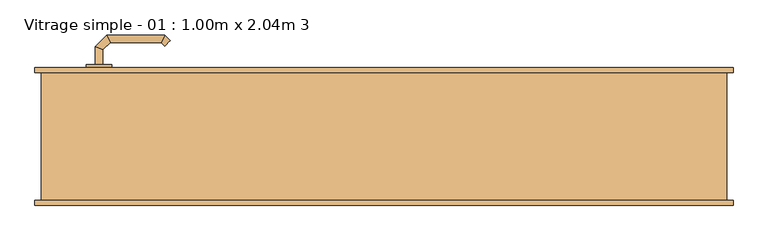
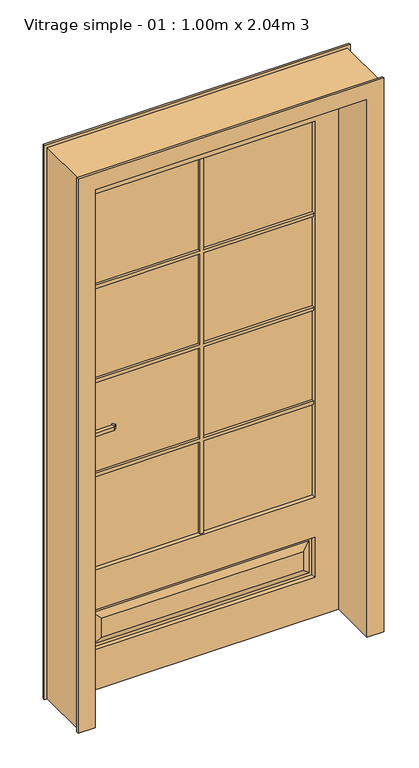
"""IFC4 building model written with IfcOpenShell, lengths in millimetres: door geometry, Vitrage simple - 01 : 1.00m x 2.04m 3."""

from ifc_helpers import new_model, si_unit, point, frame, frame_2d, origin, place, context, project, spatial, polyline, circle_curve, ellipse_curve, trimmed, segment, composite_curve, outline, extrude, faceted_brep, source, transform, mapped, element, save
from ifc_brep_helpers import plane_surface, cylinder_surface, advanced_brep


def vitrage_simple_01_1_00m_x_2_04m_3_28ec0aa8(model_context):
    return source(origin(), model_context, "Body", "SolidModel", [
        advanced_brep(
        [(-439.0, 63.0, 993.0), (-451.0, 63.0, 993.0), (-451.0, 63.0, 1007.0), (-439.0, 63.0, 1007.0), (-439.0, 40.5147955, 1007.0), (-439.0, 40.5147955, 993.0), (-451.0, 35.5442327, 1007.0), (-451.0, 35.5442327, 993.0), (-427.5147186, 29.0295141, 1007.0), (-427.5147186, 29.0295141, 993.0), (-432.4852814, 17.0295141, 1007.0), (-432.4852814, 17.0295141, 993.0), (-347.4394977, 29.0295141, 1007.0), (-347.4394977, 29.0295141, 993.0), (-342.468935, 17.0295141, 1007.0), (-342.468935, 17.0295141, 993.0), (-342.1257892, 34.3432226, 993.0), (-342.1257892, 34.3432226, 1007.0), (-333.6405078, 25.8579412, 1007.0), (-333.6405078, 25.8579412, 993.0)],
        [
            (0, 1, circle_curve(frame((-445.0, 63.0, 1013.0457722), z_axis=(0.0, 1.0, 0.0), x_axis=(-1.0, 0.0, 0.0)), 20.9244589)),
            (1, 2),
            (2, 3, circle_curve(frame((-445.0, 63.0, 986.9542278), z_axis=(0.0, 1.0, 0.0), x_axis=(-1.0, 0.0, 0.0)), 20.9244589)),
            (3, 0),
            (3, 4),
            (4, 5),
            (5, 0),
            (2, 6),
            (6, 4, ellipse_curve(frame((-445.0, 38.0295141, 986.9542278), z_axis=(-0.38268343236510893, 0.9238795325112789, 0.0), x_axis=(0.9238795325112789, 0.3826834323651087, 0.0)), 22.6484711, 20.9244589)),
            (1, 7),
            (7, 6),
            (5, 7, ellipse_curve(frame((-445.0, 38.0295141, 1013.0457722), z_axis=(-0.38268343236510893, 0.9238795325112789, 0.0), x_axis=(0.9238795325112789, 0.3826834323651087, 0.0)), 22.6484711, 20.9244589)),
            (4, 8),
            (8, 9),
            (9, 5),
            (6, 10),
            (10, 8, ellipse_curve(frame((-430.0, 23.0295141, 986.9542278), z_axis=(-0.9238795325112946, 0.38268343236507063, 0.0), x_axis=(0.3826834323650701, 0.9238795325112948, 0.0)), 22.6484711, 20.9244589)),
            (7, 11),
            (11, 10),
            (9, 11, ellipse_curve(frame((-430.0, 23.0295141, 1013.0457722), z_axis=(-0.9238795325112946, 0.38268343236507063, 0.0), x_axis=(0.3826834323650701, 0.9238795325112948, 0.0)), 22.6484711, 20.9244589)),
            (8, 12),
            (12, 13),
            (13, 9),
            (10, 14),
            (14, 12, ellipse_curve(frame((-344.9542163, 23.0295141, 986.9542278), z_axis=(-0.9238795325113071, -0.38268343236504027, 0.0), x_axis=(-0.38268343236504115, 0.9238795325113068, 0.0)), 22.6484711, 20.9244589)),
            (11, 15),
            (15, 14),
            (13, 15, ellipse_curve(frame((-344.9542163, 23.0295141, 1013.0457722), z_axis=(-0.9238795325113071, -0.38268343236504027, 0.0), x_axis=(-0.38268343236504115, 0.9238795325113068, 0.0)), 22.6484711, 20.9244589)),
            (16, 17),
            (17, 18, circle_curve(frame((-337.8831485, 30.1005819, 986.9542278), z_axis=(0.7071067811866232, 0.7071067811864719, 0.0), x_axis=(0.7071067811864719, -0.7071067811866232, 0.0)), 20.9244589)),
            (18, 19),
            (19, 16, circle_curve(frame((-337.8831485, 30.1005819, 1013.0457722), z_axis=(0.7071067811866232, 0.7071067811864719, 0.0), x_axis=(0.7071067811864719, -0.7071067811866232, 0.0)), 20.9244589)),
            (12, 17),
            (16, 13),
            (14, 18),
            (15, 19),
        ],
        [
            plane_surface(frame((-454.2195445, 63.0, 1000.0), z_axis=(0.0, 1.0, 0.0), x_axis=(0.0, 0.0, 1.0))),
            plane_surface(frame((-439.0, 63.0, 993.0), z_axis=(1.0, 0.0, 0.0), x_axis=(0.0, -1.0, 0.0))),
            cylinder_surface(frame((-445.0, 63.0, 986.9542278), z_axis=(0.0, 1.0, 0.0), x_axis=(-1.0, 0.0, 0.0)), 20.9244589),
            plane_surface(frame((-451.0, 63.0, 1007.0), z_axis=(-1.0, 0.0, 0.0), x_axis=(0.0, -1.0, 0.0))),
            cylinder_surface(frame((-445.0, 63.0, 1013.0457722), z_axis=(0.0, 1.0, 0.0), x_axis=(-1.0, 0.0, 0.0)), 20.9244589),
            plane_surface(frame((-439.0, 40.5147955, 993.0), z_axis=(0.7071067811865182, 0.707106781186577, 0.0), x_axis=(0.707106781186577, -0.7071067811865182, 0.0))),
            cylinder_surface(frame((-445.0, 38.0295141, 986.9542278), z_axis=(-0.7071067811865768, 0.7071067811865183, 0.0), x_axis=(-0.7071067811865183, -0.7071067811865768, 0.0)), 20.9244589),
            plane_surface(frame((-451.0, 35.5442327, 1007.0), z_axis=(-0.7071067811865184, -0.7071067811865767, 0.0), x_axis=(0.7071067811865767, -0.7071067811865184, 0.0))),
            cylinder_surface(frame((-445.0, 38.0295141, 1013.0457722), z_axis=(-0.7071067811865768, 0.7071067811865183, 0.0), x_axis=(-0.7071067811865183, -0.7071067811865768, 0.0)), 20.9244589),
            plane_surface(frame((-427.5147186, 29.0295141, 993.0), z_axis=(0.0, 1.0, 0.0), x_axis=(1.0, 0.0, 0.0))),
            cylinder_surface(frame((-430.0, 23.0295141, 986.9542278), z_axis=(-1.0, 0.0, 0.0), x_axis=(0.0, -1.0, 0.0)), 20.9244589),
            plane_surface(frame((-432.4852814, 17.0295141, 1007.0), z_axis=(0.0, -1.0, 0.0), x_axis=(1.0, 0.0, 0.0))),
            cylinder_surface(frame((-430.0, 23.0295141, 1013.0457722), z_axis=(-1.0, 0.0, 0.0), x_axis=(0.0, -1.0, 0.0)), 20.9244589),
            plane_surface(frame((-337.8831485, 30.1005819, 990.7804555), z_axis=(0.7071067811866233, 0.7071067811864719, 0.0), x_axis=(0.7071067811864719, -0.7071067811866233, 0.0))),
            plane_surface(frame((-347.4394977, 29.0295141, 993.0), z_axis=(-0.7071067811864713, 0.7071067811866238, 0.0), x_axis=(0.7071067811866238, 0.7071067811864713, 0.0))),
            cylinder_surface(frame((-344.9542163, 23.0295141, 986.9542278), z_axis=(-0.7071067811866232, -0.7071067811864719, 0.0), x_axis=(0.7071067811864719, -0.7071067811866232, 0.0)), 20.9244589),
            plane_surface(frame((-342.468935, 17.0295141, 1007.0), z_axis=(0.7071067811864721, -0.707106781186623, 0.0), x_axis=(0.707106781186623, 0.7071067811864721, 0.0))),
            cylinder_surface(frame((-344.9542163, 23.0295141, 1013.0457722), z_axis=(-0.7071067811866232, -0.7071067811864719, 0.0), x_axis=(0.7071067811864719, -0.7071067811866232, 0.0)), 20.9244589),
        ],
        [
            (0, [[1, 2, 3, 4]]),
            (1, [[5, 6, 7, -4]]),
            (2, [[8, 9, -5, -3]]),
            (3, [[10, 11, -8, -2]]),
            (4, [[-7, 12, -10, -1]]),
            (5, [[13, 14, 15, -6]]),
            (6, [[16, 17, -13, -9]]),
            (7, [[18, 19, -16, -11]]),
            (8, [[-15, 20, -18, -12]]),
            (9, [[21, 22, 23, -14]]),
            (10, [[24, 25, -21, -17]]),
            (11, [[26, 27, -24, -19]]),
            (12, [[-23, 28, -26, -20]]),
            (13, [[29, 30, 31, 32]]),
            (14, [[33, -29, 34, -22]]),
            (15, [[35, -30, -33, -25]]),
            (16, [[36, -31, -35, -27]]),
            (17, [[-34, -32, -36, -28]]),
        ],
    ),
        advanced_brep(
        [(-451.0, 113.0, 1007.0), (-451.0, 113.0, 993.0), (-439.0, 113.0, 993.0), (-439.0, 113.0, 1007.0), (-439.0, 135.680388, 1007.0), (-451.0, 140.6509507, 1007.0), (-439.0, 135.680388, 993.0), (-451.0, 140.6509507, 993.0), (-427.6522273, 147.0281607, 1007.0), (-432.62279, 159.0281607, 1007.0), (-427.6522273, 147.0281607, 993.0), (-432.62279, 159.0281607, 993.0), (-347.4666408, 147.0281607, 1007.0), (-342.496078, 159.0281607, 1007.0), (-347.4666408, 147.0281607, 993.0), (-342.496078, 159.0281607, 993.0), (-333.6676509, 150.1997336, 1007.0), (-342.1529323, 141.7144522, 1007.0), (-342.1529323, 141.7144522, 993.0), (-333.6676509, 150.1997336, 993.0)],
        [
            (0, 1),
            (1, 2, circle_curve(frame((-445.0, 113.0, 1013.0457722), z_axis=(0.0, -1.0, 0.0), x_axis=(1.0, 0.0, 0.0)), 20.9244589)),
            (2, 3),
            (3, 0, circle_curve(frame((-445.0, 113.0, 986.9542278), z_axis=(0.0, -1.0, 0.0), x_axis=(1.0, 0.0, 0.0)), 20.9244589)),
            (3, 4),
            (4, 5, ellipse_curve(frame((-445.0, 138.1656693, 986.9542278), z_axis=(-0.3826834323651093, -0.9238795325112789, 0.0), x_axis=(0.9238795325112791, -0.38268343236510843, 0.0)), 22.6484711, 20.9244589)),
            (5, 0),
            (2, 6),
            (6, 4),
            (1, 7),
            (7, 6, ellipse_curve(frame((-445.0, 138.1656693, 1013.0457722), z_axis=(-0.3826834323651093, -0.9238795325112789, 0.0), x_axis=(0.9238795325112791, -0.38268343236510843, 0.0)), 22.6484711, 20.9244589)),
            (5, 7),
            (4, 8),
            (8, 9, ellipse_curve(frame((-430.1375086, 153.0281607, 986.9542278), z_axis=(-0.9238795325112947, -0.38268343236507024, 0.0), x_axis=(0.3826834323650698, -0.9238795325112951, 0.0)), 22.6484711, 20.9244589)),
            (9, 5),
            (6, 10),
            (10, 8),
            (7, 11),
            (11, 10, ellipse_curve(frame((-430.1375086, 153.0281607, 1013.0457722), z_axis=(-0.9238795325112947, -0.38268343236507024, 0.0), x_axis=(0.3826834323650698, -0.9238795325112951, 0.0)), 22.6484711, 20.9244589)),
            (9, 11),
            (8, 12),
            (12, 13, ellipse_curve(frame((-344.9813594, 153.0281607, 986.9542278), z_axis=(-0.9238795325112743, 0.3826834323651198, 0.0), x_axis=(-0.38268343236511987, -0.9238795325112744, 0.0)), 22.6484711, 20.9244589)),
            (13, 9),
            (10, 14),
            (14, 12),
            (11, 15),
            (15, 14, ellipse_curve(frame((-344.9813594, 153.0281607, 1013.0457722), z_axis=(-0.9238795325112743, 0.3826834323651198, 0.0), x_axis=(-0.38268343236511987, -0.9238795325112744, 0.0)), 22.6484711, 20.9244589)),
            (13, 15),
            (16, 17, circle_curve(frame((-337.9102916, 145.9570929, 986.9542278), z_axis=(0.7071067811865017, -0.7071067811865933, 0.0), x_axis=(-0.7071067811865933, -0.7071067811865017, 0.0)), 20.9244589)),
            (17, 18),
            (18, 19, circle_curve(frame((-337.9102916, 145.9570929, 1013.0457722), z_axis=(0.7071067811865017, -0.7071067811865933, 0.0), x_axis=(-0.7071067811865933, -0.7071067811865017, 0.0)), 20.9244589)),
            (19, 16),
            (12, 17),
            (16, 13),
            (14, 18),
            (15, 19),
        ],
        [
            plane_surface(frame((-454.2195445, 113.0, 1000.0), z_axis=(0.0, -1.0, 0.0), x_axis=(0.0, 0.0, -1.0))),
            cylinder_surface(frame((-445.0, 113.0, 986.9542278), z_axis=(0.0, -1.0, 0.0), x_axis=(1.0, 0.0, 0.0)), 20.9244589),
            plane_surface(frame((-439.0, 113.0, 1007.0), z_axis=(1.0, 0.0, 0.0), x_axis=(0.0, 1.0, 0.0))),
            cylinder_surface(frame((-445.0, 113.0, 1013.0457722), z_axis=(0.0, -1.0, 0.0), x_axis=(1.0, 0.0, 0.0)), 20.9244589),
            plane_surface(frame((-451.0, 113.0, 993.0), z_axis=(-1.0, 0.0, 0.0), x_axis=(0.0, 1.0, 0.0))),
            cylinder_surface(frame((-445.0, 138.1656693, 986.9542278), z_axis=(-0.7071067811865772, -0.7071067811865177, 0.0), x_axis=(0.7071067811865177, -0.7071067811865772, 0.0)), 20.9244589),
            plane_surface(frame((-439.0, 135.680388, 1007.0), z_axis=(0.707106781186518, -0.7071067811865771, 0.0), x_axis=(0.7071067811865771, 0.707106781186518, 0.0))),
            cylinder_surface(frame((-445.0, 138.1656693, 1013.0457722), z_axis=(-0.7071067811865772, -0.7071067811865177, 0.0), x_axis=(0.7071067811865177, -0.7071067811865772, 0.0)), 20.9244589),
            plane_surface(frame((-451.0, 140.6509507, 993.0), z_axis=(-0.7071067811865179, 0.7071067811865772, 0.0), x_axis=(0.7071067811865772, 0.7071067811865179, 0.0))),
            cylinder_surface(frame((-430.1375086, 153.0281607, 986.9542278), z_axis=(-1.0, 0.0, 0.0), x_axis=(0.0, -1.0, 0.0)), 20.9244589),
            plane_surface(frame((-427.6522273, 147.0281607, 1007.0), z_axis=(0.0, -1.0, 0.0), x_axis=(1.0, 0.0, 0.0))),
            cylinder_surface(frame((-430.1375086, 153.0281607, 1013.0457722), z_axis=(-1.0, 0.0, 0.0), x_axis=(0.0, -1.0, 0.0)), 20.9244589),
            plane_surface(frame((-432.62279, 159.0281607, 993.0), z_axis=(0.0, 1.0, 0.0), x_axis=(1.0, 0.0, 0.0))),
            plane_surface(frame((-337.9102916, 145.9570929, 1009.2195445), z_axis=(0.7071067811865019, -0.7071067811865932, 0.0), x_axis=(0.7071067811865932, 0.7071067811865019, 0.0))),
            cylinder_surface(frame((-344.9813594, 153.0281607, 986.9542278), z_axis=(-0.7071067811865017, 0.7071067811865933, 0.0), x_axis=(-0.7071067811865933, -0.7071067811865017, 0.0)), 20.9244589),
            plane_surface(frame((-347.4666408, 147.0281607, 1007.0), z_axis=(-0.7071067811865925, -0.7071067811865025, 0.0), x_axis=(0.7071067811865025, -0.7071067811865925, 0.0))),
            cylinder_surface(frame((-344.9813594, 153.0281607, 1013.0457722), z_axis=(-0.7071067811865017, 0.7071067811865933, 0.0), x_axis=(-0.7071067811865933, -0.7071067811865017, 0.0)), 20.9244589),
            plane_surface(frame((-342.496078, 159.0281607, 993.0), z_axis=(0.7071067811865936, 0.7071067811865015, 0.0), x_axis=(0.7071067811865015, -0.7071067811865936, 0.0))),
        ],
        [
            (0, [[1, 2, 3, 4]]),
            (1, [[5, 6, 7, -4]]),
            (2, [[8, 9, -5, -3]]),
            (3, [[10, 11, -8, -2]]),
            (4, [[-7, 12, -10, -1]]),
            (5, [[13, 14, 15, -6]]),
            (6, [[16, 17, -13, -9]]),
            (7, [[18, 19, -16, -11]]),
            (8, [[-15, 20, -18, -12]]),
            (9, [[21, 22, 23, -14]]),
            (10, [[24, 25, -21, -17]]),
            (11, [[26, 27, -24, -19]]),
            (12, [[-23, 28, -26, -20]]),
            (13, [[29, 30, 31, 32]]),
            (14, [[33, -29, 34, -22]]),
            (15, [[35, -30, -33, -25]]),
            (16, [[36, -31, -35, -27]]),
            (17, [[-34, -32, -36, -28]]),
        ],
    ),
        extrude(outline(composite_curve([segment(trimmed(circle_curve(frame_2d((1045.3589838, -445.0)), 40.0), [point((1080.0, -425.0))], [point((1080.0, -465.0))], False, "CARTESIAN"), True, "CONTINUOUS"), segment(polyline([(1080.0, -465.0), (870.0, -465.0)]), True, "CONTINUOUS"), segment(trimmed(circle_curve(frame_2d((904.6410162, -445.0)), 40.0), [point((870.0, -465.0))], [point((870.0, -425.0))], False, "CARTESIAN"), True, "CONTINUOUS"), segment(polyline([(870.0, -425.0), (1080.0, -425.0)]), True, "CONTINUOUS")], self_intersect=False)), frame((0.0, 63.0, 0.0), z_axis=(0.0, 1.0, 0.0), x_axis=(0.0, 0.0, 1.0)), (0.0, 0.0, 1.0), 5.0),
        extrude(outline(composite_curve([segment(trimmed(circle_curve(frame_2d((904.6410162, -445.0)), 40.0), [point((870.0, -465.0))], [point((870.0, -425.0))], False, "CARTESIAN"), True, "CONTINUOUS"), segment(polyline([(870.0, -425.0), (1080.0, -425.0)]), True, "CONTINUOUS"), segment(trimmed(circle_curve(frame_2d((1045.3589838, -445.0)), 40.0), [point((1080.0, -425.0))], [point((1080.0, -465.0))], False, "CARTESIAN"), True, "CONTINUOUS"), segment(polyline([(1080.0, -465.0), (870.0, -465.0)]), True, "CONTINUOUS")], self_intersect=False)), frame((0.0, 108.0, 0.0), z_axis=(0.0, 1.0, 0.0), x_axis=(0.0, 0.0, 1.0)), (0.0, 0.0, 1.0), 5.0),
        faceted_brep([(-535.0, 100.0, 0.0), (-545.0, 100.0, 0.0), (-545.0, 108.0, 0.0), (-500.0, 108.0, 0.0), (-500.0, 68.0, 0.0), (-485.0, 68.0, 0.0), (-485.0, -108.0, 0.0), (-545.0, -108.0, 0.0), (-545.0, -100.0, 0.0), (-535.0, -100.0, 0.0), (-535.0, -100.0, 2075.0), (-535.0, 100.0, 2075.0), (-545.0, -100.0, 2085.0), (545.0, -100.0, 2085.0), (545.0, -100.0, 0.0), (535.0, -100.0, 0.0), (535.0, -100.0, 2075.0), (-545.0, -108.0, 2085.0), (-485.0, -108.0, 2025.0), (485.0, -108.0, 2025.0), (485.0, -108.0, 0.0), (545.0, -108.0, 0.0), (545.0, -108.0, 2085.0), (-485.0, 68.0, 2025.0), (-500.0, 68.0, 2040.0), (500.0, 68.0, 2040.0), (500.0, 68.0, 0.0), (485.0, 68.0, 0.0), (485.0, 68.0, 2025.0), (-500.0, 108.0, 2040.0), (-545.0, 108.0, 2085.0), (545.0, 108.0, 2085.0), (545.0, 108.0, 0.0), (500.0, 108.0, 0.0), (500.0, 108.0, 2040.0), (-545.0, 100.0, 2085.0), (535.0, 100.0, 2075.0), (535.0, 100.0, 0.0), (545.0, 100.0, 0.0), (545.0, 100.0, 2085.0)], [[[0, 1, 2, 3, 4, 5, 6, 7, 8, 9]], [[9, 10, 11, 0]], [[8, 12, 13, 14, 15, 16, 10, 9]], [[7, 17, 12, 8]], [[6, 18, 19, 20, 21, 22, 17, 7]], [[5, 23, 18, 6]], [[4, 24, 25, 26, 27, 28, 23, 5]], [[3, 29, 24, 4]], [[2, 30, 31, 32, 33, 34, 29, 3]], [[1, 35, 30, 2]], [[0, 11, 36, 37, 38, 39, 35, 1]], [[15, 37, 36, 16]], [[14, 21, 20, 27, 26, 33, 32, 38, 37, 15]], [[13, 22, 21, 14]], [[19, 28, 27, 20]], [[25, 34, 33, 26]], [[31, 39, 38, 32]], [[10, 16, 36, 11]], [[12, 17, 22, 13]], [[18, 23, 28, 19]], [[24, 29, 34, 25]], [[30, 35, 39, 31]]]),
        extrude(outline(polyline([(400.0, 93.0), (400.0, 83.0), (-400.0, 83.0), (-400.0, 93.0), (400.0, 93.0)])), frame((0.0, 0.0, 450.0), z_axis=(0.0, 0.0, 1.0), x_axis=(1.0, 0.0, 0.0)), (0.0, 0.0, 1.0), 1415.0),
        faceted_brep([(-500.0, 108.0, 2040.0), (500.0, 108.0, 2040.0), (500.0, 108.0, 0.0), (-500.0, 108.0, 0.0), (400.0, 108.0, 1865.0), (-400.0, 108.0, 1865.0), (-400.0, 108.0, 450.0), (400.0, 108.0, 450.0), (400.0, 108.0, 300.0), (-400.0, 108.0, 300.0), (-400.0, 108.0, 150.0), (400.0, 108.0, 150.0), (360.0, 108.0, 190.0), (-360.0, 108.0, 190.0), (-360.0, 108.0, 260.0), (360.0, 108.0, 260.0), (-500.0, 68.0, 2040.0), (-500.0, 68.0, 0.0), (500.0, 68.0, 0.0), (500.0, 68.0, 2040.0), (400.0, 68.0, 1865.0), (400.0, 68.0, 450.0), (-400.0, 68.0, 450.0), (-400.0, 68.0, 1865.0), (-400.0, 68.0, 300.0), (400.0, 68.0, 300.0), (400.0, 68.0, 150.0), (-400.0, 68.0, 150.0), (-360.0, 68.0, 190.0), (360.0, 68.0, 190.0), (360.0, 68.0, 260.0), (-360.0, 68.0, 260.0), (385.0, 98.0, 285.0), (385.0, 98.0, 165.0), (395.0, 98.0, 295.0), (395.0, 98.0, 155.0), (-385.0, 98.0, 165.0), (-395.0, 98.0, 155.0), (-385.0, 98.0, 285.0), (-395.0, 98.0, 295.0), (-385.0, 78.0, 285.0), (-385.0, 78.0, 165.0), (-395.0, 78.0, 295.0), (-395.0, 78.0, 155.0), (385.0, 78.0, 165.0), (395.0, 78.0, 155.0), (385.0, 78.0, 285.0), (395.0, 78.0, 295.0)], [[[0, 1, 2, 3], [4, 5, 6, 7], [8, 9, 10, 11]], [[12, 13, 14, 15]], [[16, 17, 18, 19], [20, 21, 22, 23], [24, 25, 26, 27]], [[28, 29, 30, 31]], [[3, 17, 16, 0]], [[2, 18, 17, 3]], [[1, 19, 18, 2]], [[0, 16, 19, 1]], [[7, 21, 20, 4]], [[6, 22, 21, 7]], [[5, 23, 22, 6]], [[4, 20, 23, 5]], [[12, 15, 32, 33]], [[34, 8, 11, 35]], [[33, 36, 13, 12]], [[11, 10, 37, 35]], [[36, 38, 14, 13]], [[10, 9, 39, 37]], [[35, 37, 39, 34], [32, 38, 36, 33]], [[15, 14, 38, 32]], [[34, 39, 9, 8]], [[28, 31, 40, 41]], [[42, 24, 27, 43]], [[41, 44, 29, 28]], [[27, 26, 45, 43]], [[44, 46, 30, 29]], [[26, 25, 47, 45]], [[43, 45, 47, 42], [40, 46, 44, 41]], [[31, 30, 46, 40]], [[42, 47, 25, 24]]]),
        extrude(outline(polyline([(450.0, 6.0), (797.75, 6.0), (797.75, 400.0), (809.75, 400.0), (809.75, 6.0), (1151.5, 6.0), (1151.5, 400.0), (1163.5, 400.0), (1163.5, 6.0), (1505.25, 6.0), (1505.25, 400.0), (1517.25, 400.0), (1517.25, 6.0), (1865.0, 6.0), (1865.0, -6.0), (1517.25, -6.0), (1517.25, -400.0), (1505.25, -400.0), (1505.25, -6.0), (1163.5, -6.0), (1163.5, -400.0), (1151.5, -400.0), (1151.5, -6.0), (809.75, -6.0), (809.75, -400.0), (797.75, -400.0), (797.75, -6.0), (450.0, -6.0), (450.0, 6.0)])), frame((0.0, 93.0, 0.0), z_axis=(0.0, 1.0, 0.0), x_axis=(0.0, 0.0, 1.0)), (0.0, 0.0, 1.0), 10.0),
        extrude(outline(polyline([(450.0, 6.0), (797.75, 6.0), (797.75, 400.0), (809.75, 400.0), (809.75, 6.0), (1151.5, 6.0), (1151.5, 400.0), (1163.5, 400.0), (1163.5, 6.0), (1505.25, 6.0), (1505.25, 400.0), (1517.25, 400.0), (1517.25, 6.0), (1865.0, 6.0), (1865.0, -6.0), (1517.25, -6.0), (1517.25, -400.0), (1505.25, -400.0), (1505.25, -6.0), (1163.5, -6.0), (1163.5, -400.0), (1151.5, -400.0), (1151.5, -6.0), (809.75, -6.0), (809.75, -400.0), (797.75, -400.0), (797.75, -6.0), (450.0, -6.0), (450.0, 6.0)])), frame((0.0, 73.0, 0.0), z_axis=(0.0, 1.0, 0.0), x_axis=(0.0, 0.0, 1.0)), (0.0, 0.0, 1.0), 10.0),
    ])


if __name__ == "__main__":
    model = new_model("IFC4")
    model_context = context("Model", 3, world=origin())
    ifc_project = project(units=[si_unit("LENGTHUNIT", "METRE", prefix="MILLI")], contexts=[model_context])
    site = spatial("IfcSite", under=ifc_project)
    building = spatial("IfcBuilding", under=site)
    placement = place(None, origin())
    vitrage_simple_01_1_00m_x_2_04m_3_shape = vitrage_simple_01_1_00m_x_2_04m_3_28ec0aa8(model_context)
    element("IfcDoor", 1, ObjectType="Vitrage simple - 01 : 1.00m x 2.04m 3", at=placement, inside=building, context=model_context, shape_type="MappedRepresentation", body=[
        mapped(vitrage_simple_01_1_00m_x_2_04m_3_shape, transform((0.0, 0.0, 0.0), x_axis=(1.0, 0.0, 0.0), y_axis=(0.0, 1.0, 0.0), z_axis=(0.0, 0.0, 1.0))),
    ])
    save(model, "model.ifc")
